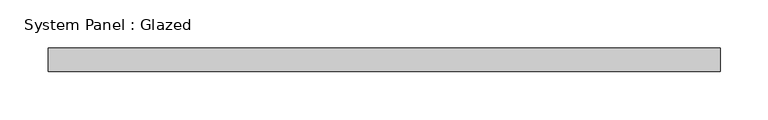
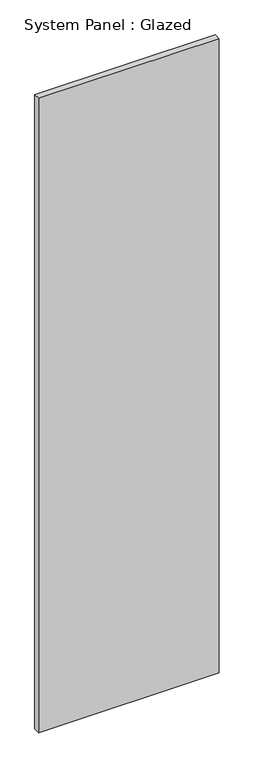
"""IFC4 building model written with IfcOpenShell, lengths in millimetres: plate geometry, System Panel : Glazed."""

import ifcopenshell
import ifcopenshell.guid

model = None  # the IFC model being written
_history = None  # IfcOwnerHistory: only IFC2X3 demands one
_inside = {}  # id of a spatial element -> (the spatial element, [elements in it])
_under = {}  # id of a project, library or spatial element -> (it, [spatial elements below it])
_declared = {}  # id of a project -> (the project, [libraries it declares])
_typed = {}  # id of a type object -> (the type object, [elements of that type])
_made_of = {}  # id of a material, layer set ... -> (it, [elements and type objects made of it])


def new_model(schema):
    """Start an empty IFC model of exactly this schema.

    Asked for "IFC4X3", IfcOpenShell would pick the latest addendum, in which some entities
    have other attributes; the version numbers below select the first issue.
    IFC2X3 requires an IfcOwnerHistory on every rooted entity: one is made here for all.
    """
    global model, _history
    if schema == "IFC4X3":
        model = ifcopenshell.file(schema_version=(4, 3, 0, 0))
    else:
        model = ifcopenshell.file(schema=schema)
    _inside.clear()
    _under.clear()
    _declared.clear()
    _typed.clear()
    _made_of.clear()
    _history = None
    if model.schema == "IFC2X3":
        org = make("IfcOrganization", Name="unknown")
        user = make(
            "IfcPersonAndOrganization",
            ThePerson=make("IfcPerson", FamilyName="unknown"),
            TheOrganization=org,
        )
        app = make(
            "IfcApplication",
            ApplicationDeveloper=org,
            Version="unknown",
            ApplicationFullName="unknown",
            ApplicationIdentifier="unknown",
        )
        _history = make(
            "IfcOwnerHistory",
            OwningUser=user,
            OwningApplication=app,
            ChangeAction="ADDED",
            CreationDate=0,
        )
    return model


def make(cls, **values):
    """One entity of the class cls with the attributes given. An attribute that is None is left unset."""
    return model.create_entity(
        cls, **{name: value for name, value in values.items() if value is not None}
    )


def rooted(cls, **values):
    """An entity with a GlobalId (a new one), such as an element, a storey or a relation."""
    return make(cls, GlobalId=ifcopenshell.guid.new(), OwnerHistory=_history, **values)


def si_unit(unit_type, name, prefix=None):
    """IfcSIUnit, for example si_unit("LENGTHUNIT", "METRE", prefix="MILLI")."""
    return make("IfcSIUnit", UnitType=unit_type, Prefix=prefix, Name=name)


def assignment(units):
    """IfcUnitAssignment: the units of a project."""
    return None if units is None else make("IfcUnitAssignment", Units=units)


def point(xyz):
    """IfcCartesianPoint."""
    return None if xyz is None else make("IfcCartesianPoint", Coordinates=xyz)


def direction(xyz):
    """IfcDirection."""
    return None if xyz is None else make("IfcDirection", DirectionRatios=xyz)


def frame(location, z_axis=None, x_axis=None):
    """IfcAxis2Placement3D, a coordinate frame: its origin and axes. An axis left out is left unset."""
    return make(
        "IfcAxis2Placement3D",
        Location=point(location),
        Axis=direction(z_axis),
        RefDirection=direction(x_axis),
    )


def origin():
    """The frame at (0, 0, 0) with its axes left unset."""
    return frame((0.0, 0.0, 0.0))


def origin_with_axes():
    """The frame at (0, 0, 0) with the z axis (0, 0, 1) and the x axis (1, 0, 0) written out."""
    return frame((0.0, 0.0, 0.0), z_axis=(0.0, 0.0, 1.0), x_axis=(1.0, 0.0, 0.0))


def place(relative_to, where):
    """IfcLocalPlacement: puts the frame where relative to a parent placement (None: the world)."""
    return make(
        "IfcLocalPlacement", PlacementRelTo=relative_to, RelativePlacement=where
    )


def context(
    kind, dimensions, precision=None, world=None, true_north=None, identifier=None
):
    """IfcGeometricRepresentationContext, for example the 3D "Model" context."""
    return make(
        "IfcGeometricRepresentationContext",
        ContextIdentifier=identifier,
        ContextType=kind,
        CoordinateSpaceDimension=dimensions,
        Precision=precision,
        WorldCoordinateSystem=world,
        TrueNorth=true_north,
    )


def project(units=None, contexts=None):
    """IfcProject with its units and contexts."""
    return rooted(
        "IfcProject",
        Name="project",
        RepresentationContexts=contexts,
        UnitsInContext=assignment(units),
    )


def spatial(cls, under=None, at=None, **own):
    """A site, building, storey or space (cls), placed at a placement, below another one or the project."""
    s = rooted(cls, ObjectPlacement=at, **own)
    if under is not None:
        _under.setdefault(under.id(), (under, []))[1].append(s)
    return s


def polyline(points):
    """IfcPolyline through the points."""
    return make("IfcPolyline", Points=[point(p) for p in points])


def outline(outer, holes=None, kind="AREA"):
    """IfcArbitraryClosedProfileDef: a profile drawn as a closed curve; with holes, ...WithVoids."""
    if holes is None:
        return make("IfcArbitraryClosedProfileDef", ProfileType=kind, OuterCurve=outer)
    return make(
        "IfcArbitraryProfileDefWithVoids",
        ProfileType=kind,
        OuterCurve=outer,
        InnerCurves=holes,
    )


def extrude(swept, where, along, depth):
    """IfcExtrudedAreaSolid: the profile swept, set in the frame where, extruded along a direction by depth."""
    return make(
        "IfcExtrudedAreaSolid",
        SweptArea=swept,
        Position=where,
        ExtrudedDirection=direction(along),
        Depth=depth,
    )


def shape(context_of_items, identifier, shape_type, items):
    """IfcShapeRepresentation: the items that make up one representation, for example the "Body"."""
    return make(
        "IfcShapeRepresentation",
        ContextOfItems=context_of_items,
        RepresentationIdentifier=identifier,
        RepresentationType=shape_type,
        Items=items,
    )


def source(mapping_origin, context_of_items, identifier, shape_type, items):
    """IfcRepresentationMap: a shape defined once, which mapped items show again and again."""
    return make(
        "IfcRepresentationMap",
        MappingOrigin=mapping_origin,
        MappedRepresentation=shape(context_of_items, identifier, shape_type, items),
    )


def transform(
    local_origin,
    x_axis=None,
    y_axis=None,
    z_axis=None,
    scale=None,
    scale2=None,
    scale3=None,
    uniform=True,
):
    """IfcCartesianTransformationOperator3D, or its non-uniform kind. x_axis, y_axis, z_axis: its Axis1, 2, 3."""
    if uniform:
        return make(
            "IfcCartesianTransformationOperator3D",
            Axis1=direction(x_axis),
            Axis2=direction(y_axis),
            LocalOrigin=point(local_origin),
            Scale=scale,
            Axis3=direction(z_axis),
        )
    return make(
        "IfcCartesianTransformationOperator3DnonUniform",
        Axis1=direction(x_axis),
        Axis2=direction(y_axis),
        LocalOrigin=point(local_origin),
        Scale=scale,
        Axis3=direction(z_axis),
        Scale2=scale2,
        Scale3=scale3,
    )


def mapped(mapping_source, mapping_target):
    """IfcMappedItem: shows the shape of a source again, moved by a transform."""
    return make(
        "IfcMappedItem", MappingSource=mapping_source, MappingTarget=mapping_target
    )


def made_of(thing, what):
    """Note that an element or type object is made of a material, layer set ...; save() writes the relation."""
    if what is not None:
        _made_of.setdefault(what.id(), (what, []))[1].append(thing)
    return thing


def element(
    cls,
    number,
    at=None,
    inside=None,
    cuts=None,
    type_object=None,
    material=None,
    context=None,
    identifier="Body",
    shape_type=None,
    held_by="IfcProductDefinitionShape",
    body=None,
    shapes=None,
    **own,
):
    """One element of the class cls, such as IfcWall. Its Tag is "e" and its number.

    at: its placement. inside: the storey or other place that contains it. cuts: it is an
    opening in that element (IfcRelVoidsElement). A single representation is given by context,
    identifier, shape_type and body (its items); several are given by shapes. held_by: the class
    of the entity that holds the representations. save() writes the other relations.
    """
    e = rooted(cls, Tag="e%d" % number, ObjectPlacement=at, **own)
    if body is not None:
        shapes = [shape(context, identifier, shape_type, body)]
    if shapes is not None:
        e.Representation = make(held_by, Representations=shapes)
    if inside is not None:
        _inside.setdefault(inside.id(), (inside, []))[1].append(e)
    if cuts is not None:
        rooted(
            "IfcRelVoidsElement", RelatingBuildingElement=cuts, RelatedOpeningElement=e
        )
    if type_object is not None:
        _typed.setdefault(type_object.id(), (type_object, []))[1].append(e)
    return made_of(e, material)


def aggregate(whole, parts):
    """IfcRelAggregates: a whole, such as a stair, and the parts it consists of."""
    return rooted("IfcRelAggregates", RelatingObject=whole, RelatedObjects=parts)


def save(model, path):
    """Write the relations noted so far, then the file.

    IfcRelAggregates (storeys below a building ...), IfcRelContainedInSpatialStructure (elements
    in a storey), IfcRelDefinesByType, IfcRelAssociatesMaterial and IfcRelDeclares: one each for
    every whole, place, type object, material and project.
    """
    for whole, parts in _under.values():
        aggregate(whole, parts)
    for where, things in _inside.values():
        rooted(
            "IfcRelContainedInSpatialStructure",
            RelatedElements=things,
            RelatingStructure=where,
        )
    for kind, things in _typed.values():
        rooted("IfcRelDefinesByType", RelatedObjects=things, RelatingType=kind)
    for what, things in _made_of.values():
        rooted("IfcRelAssociatesMaterial", RelatedObjects=things, RelatingMaterial=what)
    for by, libraries in _declared.values():
        rooted("IfcRelDeclares", RelatingContext=by, RelatedDefinitions=libraries)
    model.write(path)


def system_panel_glazed_acbfcf89(model_context):
    return source(origin(), model_context, "Body", "SweptSolid", [
        extrude(outline(polyline([(350.0, -49.5), (-350.0, -49.5), (-350.0, -24.5), (350.0, -24.5), (350.0, -49.5)])), origin_with_axes(), (0.0, 0.0, 1.0), 2600.0),
    ])


if __name__ == "__main__":
    model = new_model("IFC4")
    model_context = context("Model", 3, world=origin())
    ifc_project = project(units=[si_unit("LENGTHUNIT", "METRE", prefix="MILLI")], contexts=[model_context])
    site = spatial("IfcSite", under=ifc_project)
    building = spatial("IfcBuilding", under=site)
    placement = place(None, origin())
    system_panel_glazed_shape = system_panel_glazed_acbfcf89(model_context)
    element("IfcPlate", 1, ObjectType="System Panel : Glazed", at=placement, inside=building, context=model_context, shape_type="MappedRepresentation", body=[
        mapped(system_panel_glazed_shape, transform((0.0, 0.0, 0.0), x_axis=(1.0, 0.0, 0.0), y_axis=(0.0, 1.0, 0.0), z_axis=(0.0, 0.0, 1.0))),
    ])
    save(model, "model.ifc")
